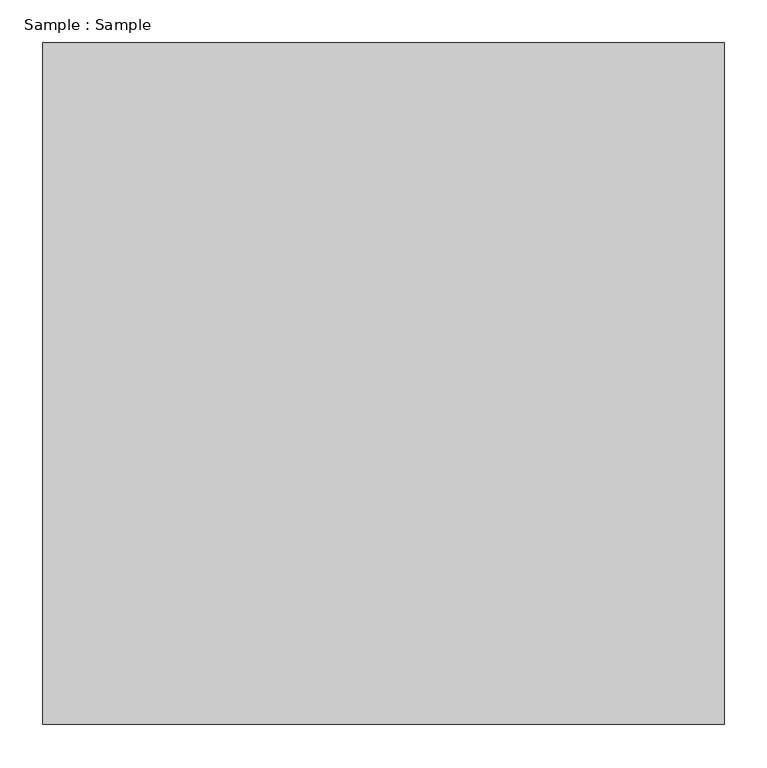
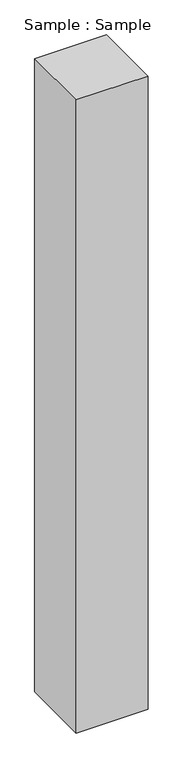
"""IFC4 building model written with IfcOpenShell, lengths in millimetres: proxy geometry, Sample : Sample."""

from ifc_helpers import new_model, si_unit, origin, origin_with_axes, place, context, project, spatial, polyline, outline, extrude, source, transform, mapped, element, save


def sample_sample_4f6df5ae(model_context):
    return source(origin(), model_context, "Body", "SweptSolid", [
        extrude(outline(polyline([(400.0, 400.0), (400.0, -400.0), (-400.0, -400.0), (-400.0, 400.0), (400.0, 400.0)])), origin_with_axes(), (0.0, 0.0, 1.0), 7448.2758621),
    ])


if __name__ == "__main__":
    model = new_model("IFC4")
    model_context = context("Model", 3, world=origin())
    ifc_project = project(units=[si_unit("LENGTHUNIT", "METRE", prefix="MILLI")], contexts=[model_context])
    site = spatial("IfcSite", under=ifc_project)
    building = spatial("IfcBuilding", under=site)
    placement = place(None, origin())
    sample_sample_shape = sample_sample_4f6df5ae(model_context)
    element("IfcBuildingElementProxy", 1, Name="Sample : Sample", ObjectType="Sample : Sample", at=placement, inside=building, context=model_context, shape_type="MappedRepresentation", body=[
        mapped(sample_sample_shape, transform((0.0, 0.0, 0.0), x_axis=(1.0, 0.0, 0.0), y_axis=(0.0, 1.0, 0.0), z_axis=(0.0, 0.0, 1.0))),
    ])
    save(model, "model.ifc")
